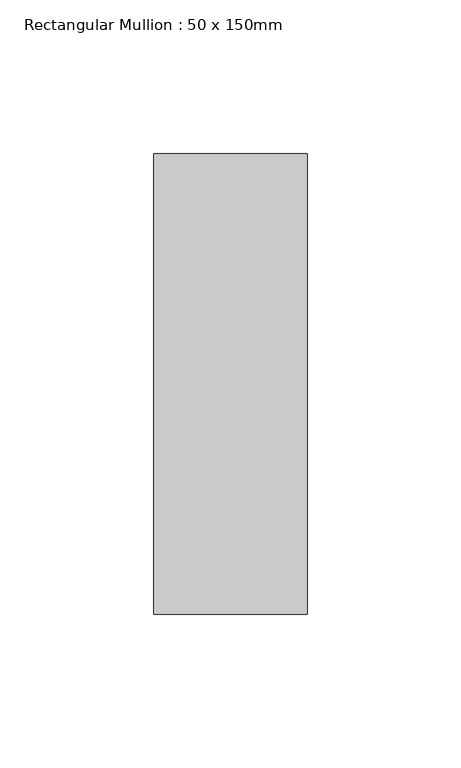
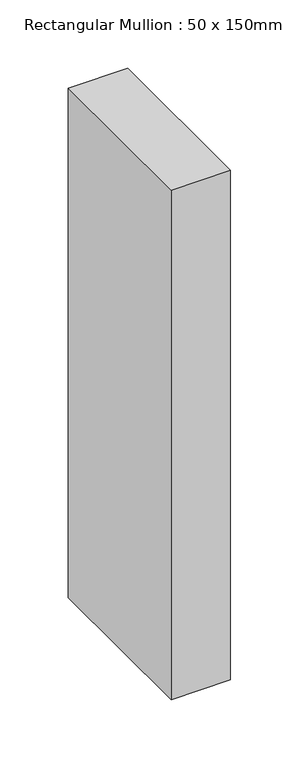
"""IFC4 building model written with IfcOpenShell, lengths in millimetres: member geometry, Rectangular Mullion : 50 x 150mm."""

import ifcopenshell
import ifcopenshell.guid

model = None  # the IFC model being written
_history = None  # IfcOwnerHistory: only IFC2X3 demands one
_inside = {}  # id of a spatial element -> (the spatial element, [elements in it])
_under = {}  # id of a project, library or spatial element -> (it, [spatial elements below it])
_declared = {}  # id of a project -> (the project, [libraries it declares])
_typed = {}  # id of a type object -> (the type object, [elements of that type])
_made_of = {}  # id of a material, layer set ... -> (it, [elements and type objects made of it])


def new_model(schema):
    """Start an empty IFC model of exactly this schema.

    Asked for "IFC4X3", IfcOpenShell would pick the latest addendum, in which some entities
    have other attributes; the version numbers below select the first issue.
    IFC2X3 requires an IfcOwnerHistory on every rooted entity: one is made here for all.
    """
    global model, _history
    if schema == "IFC4X3":
        model = ifcopenshell.file(schema_version=(4, 3, 0, 0))
    else:
        model = ifcopenshell.file(schema=schema)
    _inside.clear()
    _under.clear()
    _declared.clear()
    _typed.clear()
    _made_of.clear()
    _history = None
    if model.schema == "IFC2X3":
        org = make("IfcOrganization", Name="unknown")
        user = make(
            "IfcPersonAndOrganization",
            ThePerson=make("IfcPerson", FamilyName="unknown"),
            TheOrganization=org,
        )
        app = make(
            "IfcApplication",
            ApplicationDeveloper=org,
            Version="unknown",
            ApplicationFullName="unknown",
            ApplicationIdentifier="unknown",
        )
        _history = make(
            "IfcOwnerHistory",
            OwningUser=user,
            OwningApplication=app,
            ChangeAction="ADDED",
            CreationDate=0,
        )
    return model


def make(cls, **values):
    """One entity of the class cls with the attributes given. An attribute that is None is left unset."""
    return model.create_entity(
        cls, **{name: value for name, value in values.items() if value is not None}
    )


def rooted(cls, **values):
    """An entity with a GlobalId (a new one), such as an element, a storey or a relation."""
    return make(cls, GlobalId=ifcopenshell.guid.new(), OwnerHistory=_history, **values)


def si_unit(unit_type, name, prefix=None):
    """IfcSIUnit, for example si_unit("LENGTHUNIT", "METRE", prefix="MILLI")."""
    return make("IfcSIUnit", UnitType=unit_type, Prefix=prefix, Name=name)


def assignment(units):
    """IfcUnitAssignment: the units of a project."""
    return None if units is None else make("IfcUnitAssignment", Units=units)


def point(xyz):
    """IfcCartesianPoint."""
    return None if xyz is None else make("IfcCartesianPoint", Coordinates=xyz)


def direction(xyz):
    """IfcDirection."""
    return None if xyz is None else make("IfcDirection", DirectionRatios=xyz)


def frame(location, z_axis=None, x_axis=None):
    """IfcAxis2Placement3D, a coordinate frame: its origin and axes. An axis left out is left unset."""
    return make(
        "IfcAxis2Placement3D",
        Location=point(location),
        Axis=direction(z_axis),
        RefDirection=direction(x_axis),
    )


def origin():
    """The frame at (0, 0, 0) with its axes left unset."""
    return frame((0.0, 0.0, 0.0))


def place(relative_to, where):
    """IfcLocalPlacement: puts the frame where relative to a parent placement (None: the world)."""
    return make(
        "IfcLocalPlacement", PlacementRelTo=relative_to, RelativePlacement=where
    )


def context(
    kind, dimensions, precision=None, world=None, true_north=None, identifier=None
):
    """IfcGeometricRepresentationContext, for example the 3D "Model" context."""
    return make(
        "IfcGeometricRepresentationContext",
        ContextIdentifier=identifier,
        ContextType=kind,
        CoordinateSpaceDimension=dimensions,
        Precision=precision,
        WorldCoordinateSystem=world,
        TrueNorth=true_north,
    )


def project(units=None, contexts=None):
    """IfcProject with its units and contexts."""
    return rooted(
        "IfcProject",
        Name="project",
        RepresentationContexts=contexts,
        UnitsInContext=assignment(units),
    )


def spatial(cls, under=None, at=None, **own):
    """A site, building, storey or space (cls), placed at a placement, below another one or the project."""
    s = rooted(cls, ObjectPlacement=at, **own)
    if under is not None:
        _under.setdefault(under.id(), (under, []))[1].append(s)
    return s


def polyline(points):
    """IfcPolyline through the points."""
    return make("IfcPolyline", Points=[point(p) for p in points])


def outline(outer, holes=None, kind="AREA"):
    """IfcArbitraryClosedProfileDef: a profile drawn as a closed curve; with holes, ...WithVoids."""
    if holes is None:
        return make("IfcArbitraryClosedProfileDef", ProfileType=kind, OuterCurve=outer)
    return make(
        "IfcArbitraryProfileDefWithVoids",
        ProfileType=kind,
        OuterCurve=outer,
        InnerCurves=holes,
    )


def extrude(swept, where, along, depth):
    """IfcExtrudedAreaSolid: the profile swept, set in the frame where, extruded along a direction by depth."""
    return make(
        "IfcExtrudedAreaSolid",
        SweptArea=swept,
        Position=where,
        ExtrudedDirection=direction(along),
        Depth=depth,
    )


def shape(context_of_items, identifier, shape_type, items):
    """IfcShapeRepresentation: the items that make up one representation, for example the "Body"."""
    return make(
        "IfcShapeRepresentation",
        ContextOfItems=context_of_items,
        RepresentationIdentifier=identifier,
        RepresentationType=shape_type,
        Items=items,
    )


def source(mapping_origin, context_of_items, identifier, shape_type, items):
    """IfcRepresentationMap: a shape defined once, which mapped items show again and again."""
    return make(
        "IfcRepresentationMap",
        MappingOrigin=mapping_origin,
        MappedRepresentation=shape(context_of_items, identifier, shape_type, items),
    )


def transform(
    local_origin,
    x_axis=None,
    y_axis=None,
    z_axis=None,
    scale=None,
    scale2=None,
    scale3=None,
    uniform=True,
):
    """IfcCartesianTransformationOperator3D, or its non-uniform kind. x_axis, y_axis, z_axis: its Axis1, 2, 3."""
    if uniform:
        return make(
            "IfcCartesianTransformationOperator3D",
            Axis1=direction(x_axis),
            Axis2=direction(y_axis),
            LocalOrigin=point(local_origin),
            Scale=scale,
            Axis3=direction(z_axis),
        )
    return make(
        "IfcCartesianTransformationOperator3DnonUniform",
        Axis1=direction(x_axis),
        Axis2=direction(y_axis),
        LocalOrigin=point(local_origin),
        Scale=scale,
        Axis3=direction(z_axis),
        Scale2=scale2,
        Scale3=scale3,
    )


def mapped(mapping_source, mapping_target):
    """IfcMappedItem: shows the shape of a source again, moved by a transform."""
    return make(
        "IfcMappedItem", MappingSource=mapping_source, MappingTarget=mapping_target
    )


def made_of(thing, what):
    """Note that an element or type object is made of a material, layer set ...; save() writes the relation."""
    if what is not None:
        _made_of.setdefault(what.id(), (what, []))[1].append(thing)
    return thing


def element(
    cls,
    number,
    at=None,
    inside=None,
    cuts=None,
    type_object=None,
    material=None,
    context=None,
    identifier="Body",
    shape_type=None,
    held_by="IfcProductDefinitionShape",
    body=None,
    shapes=None,
    **own,
):
    """One element of the class cls, such as IfcWall. Its Tag is "e" and its number.

    at: its placement. inside: the storey or other place that contains it. cuts: it is an
    opening in that element (IfcRelVoidsElement). A single representation is given by context,
    identifier, shape_type and body (its items); several are given by shapes. held_by: the class
    of the entity that holds the representations. save() writes the other relations.
    """
    e = rooted(cls, Tag="e%d" % number, ObjectPlacement=at, **own)
    if body is not None:
        shapes = [shape(context, identifier, shape_type, body)]
    if shapes is not None:
        e.Representation = make(held_by, Representations=shapes)
    if inside is not None:
        _inside.setdefault(inside.id(), (inside, []))[1].append(e)
    if cuts is not None:
        rooted(
            "IfcRelVoidsElement", RelatingBuildingElement=cuts, RelatedOpeningElement=e
        )
    if type_object is not None:
        _typed.setdefault(type_object.id(), (type_object, []))[1].append(e)
    return made_of(e, material)


def aggregate(whole, parts):
    """IfcRelAggregates: a whole, such as a stair, and the parts it consists of."""
    return rooted("IfcRelAggregates", RelatingObject=whole, RelatedObjects=parts)


def save(model, path):
    """Write the relations noted so far, then the file.

    IfcRelAggregates (storeys below a building ...), IfcRelContainedInSpatialStructure (elements
    in a storey), IfcRelDefinesByType, IfcRelAssociatesMaterial and IfcRelDeclares: one each for
    every whole, place, type object, material and project.
    """
    for whole, parts in _under.values():
        aggregate(whole, parts)
    for where, things in _inside.values():
        rooted(
            "IfcRelContainedInSpatialStructure",
            RelatedElements=things,
            RelatingStructure=where,
        )
    for kind, things in _typed.values():
        rooted("IfcRelDefinesByType", RelatedObjects=things, RelatingType=kind)
    for what, things in _made_of.values():
        rooted("IfcRelAssociatesMaterial", RelatedObjects=things, RelatingMaterial=what)
    for by, libraries in _declared.values():
        rooted("IfcRelDeclares", RelatingContext=by, RelatedDefinitions=libraries)
    model.write(path)


def rectangular_mullion_50_x_150mm_663674fd(model_context):
    return source(origin(), model_context, "Body", "SweptSolid", [
        extrude(outline(polyline([(25.0, 75.0), (25.0, -75.0), (-25.0, -75.0), (-25.0, 75.0), (25.0, 75.0)])), frame((0.0, 0.0, -454.5322456), z_axis=(0.0, 0.0, 1.0), x_axis=(1.0, 0.0, 0.0)), (0.0, 0.0, 1.0), 454.5322456),
    ])


if __name__ == "__main__":
    model = new_model("IFC4")
    model_context = context("Model", 3, world=origin())
    ifc_project = project(units=[si_unit("LENGTHUNIT", "METRE", prefix="MILLI")], contexts=[model_context])
    site = spatial("IfcSite", under=ifc_project)
    building = spatial("IfcBuilding", under=site)
    placement = place(None, origin())
    rectangular_mullion_50_x_150mm_shape = rectangular_mullion_50_x_150mm_663674fd(model_context)
    element("IfcMember", 1, ObjectType="Rectangular Mullion : 50 x 150mm", at=placement, inside=building, context=model_context, shape_type="MappedRepresentation", body=[
        mapped(rectangular_mullion_50_x_150mm_shape, transform((0.0, 0.0, 0.0), x_axis=(1.0, 0.0, 0.0), y_axis=(0.0, 1.0, 0.0), z_axis=(0.0, 0.0, 1.0))),
    ])
    save(model, "model.ifc")
